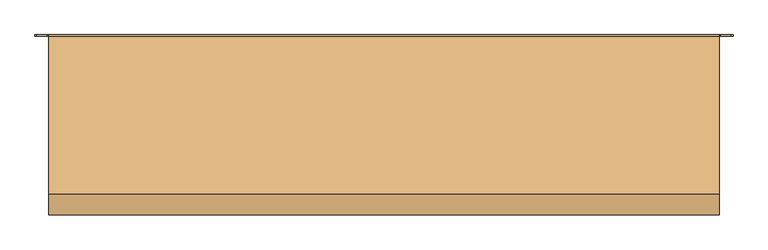
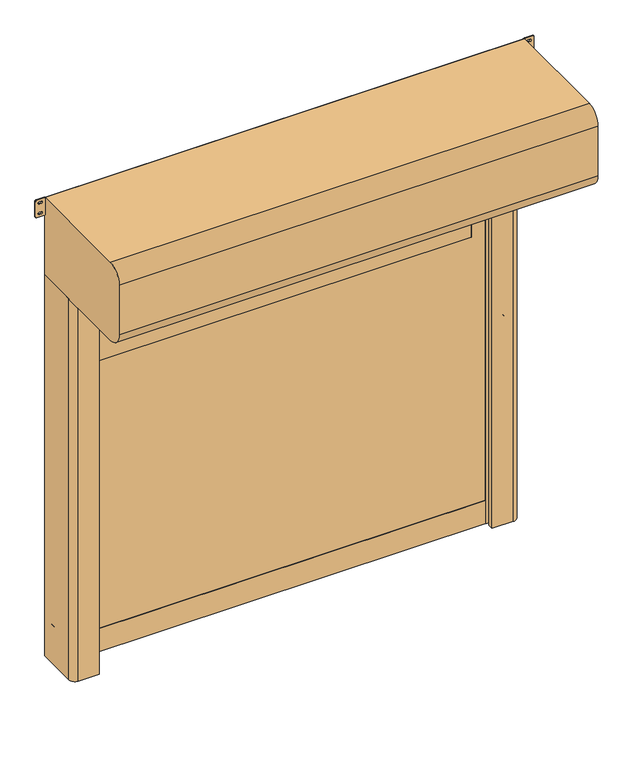
"""IFC4 building model written with IfcOpenShell, lengths in millimetres: door geometry."""

from ifc_helpers import new_model, si_unit, point, frame, frame_2d, origin, origin_with_axes, place, context, project, spatial, polyline, circle_curve, trimmed, segment, composite_curve, outline, extrude, source, transform, mapped, element, save


def door_8d8b76a4(model_context):
    return source(origin(), model_context, "Body", "SweptSolid", [
        extrude(outline(composite_curve([segment(trimmed(circle_curve(frame_2d((1000.0, 1109.0)), 6.0), [point((1006.0, 1109.0))], [point((994.0, 1109.0))], False, "CARTESIAN"), True, "CONTINUOUS"), segment(polyline([(994.0, 1109.0), (994.0, 1127.0)]), True, "CONTINUOUS"), segment(trimmed(circle_curve(frame_2d((1000.0, 1127.0)), 6.0), [point((994.0, 1127.0))], [point((1006.0, 1127.0))], False, "CARTESIAN"), True, "CONTINUOUS"), segment(polyline([(1006.0, 1127.0), (1006.0, 1109.0)]), True, "CONTINUOUS")], self_intersect=False)), frame((0.0, -20.0, 0.0), z_axis=(0.0, 1.0, 0.0), x_axis=(0.0, 0.0, 1.0)), (0.0, 0.0, 1.0), 20.0),
        extrude(outline(composite_curve([segment(trimmed(circle_curve(frame_2d((1850.0, 1109.0)), 6.0), [point((1856.0, 1109.0))], [point((1844.0, 1109.0))], False, "CARTESIAN"), True, "CONTINUOUS"), segment(polyline([(1844.0, 1109.0), (1844.0, 1127.0)]), True, "CONTINUOUS"), segment(trimmed(circle_curve(frame_2d((1850.0, 1127.0)), 6.0), [point((1844.0, 1127.0))], [point((1856.0, 1127.0))], False, "CARTESIAN"), True, "CONTINUOUS"), segment(polyline([(1856.0, 1127.0), (1856.0, 1109.0)]), True, "CONTINUOUS")], self_intersect=False)), frame((0.0, -20.0, 0.0), z_axis=(0.0, 1.0, 0.0), x_axis=(0.0, 0.0, 1.0)), (0.0, 0.0, 1.0), 20.0),
        extrude(outline(composite_curve([segment(trimmed(circle_curve(frame_2d((150.0, 1109.0)), 6.0), [point((156.0, 1109.0))], [point((144.0, 1109.0))], False, "CARTESIAN"), True, "CONTINUOUS"), segment(polyline([(144.0, 1109.0), (144.0, 1127.0)]), True, "CONTINUOUS"), segment(trimmed(circle_curve(frame_2d((150.0, 1127.0)), 6.0), [point((144.0, 1127.0))], [point((156.0, 1127.0))], False, "CARTESIAN"), True, "CONTINUOUS"), segment(polyline([(156.0, 1127.0), (156.0, 1109.0)]), True, "CONTINUOUS")], self_intersect=False)), frame((0.0, -20.0, 0.0), z_axis=(0.0, 1.0, 0.0), x_axis=(0.0, 0.0, 1.0)), (0.0, 0.0, 1.0), 20.0),
        extrude(outline(composite_curve([segment(polyline([(1006.0, -1109.0), (1006.0, -1127.0)]), True, "CONTINUOUS"), segment(trimmed(circle_curve(frame_2d((1000.0, -1127.0)), 6.0), [point((1006.0, -1127.0))], [point((994.0, -1127.0))], False, "CARTESIAN"), True, "CONTINUOUS"), segment(polyline([(994.0, -1127.0), (994.0, -1109.0)]), True, "CONTINUOUS"), segment(trimmed(circle_curve(frame_2d((1000.0, -1109.0)), 6.0), [point((994.0, -1109.0))], [point((1006.0, -1109.0))], False, "CARTESIAN"), True, "CONTINUOUS")], self_intersect=False)), frame((0.0, -20.0, 0.0), z_axis=(0.0, 1.0, 0.0), x_axis=(0.0, 0.0, 1.0)), (0.0, 0.0, 1.0), 20.0),
        extrude(outline(composite_curve([segment(polyline([(1856.0, -1109.0), (1856.0, -1127.0)]), True, "CONTINUOUS"), segment(trimmed(circle_curve(frame_2d((1850.0, -1127.0)), 6.0), [point((1856.0, -1127.0))], [point((1844.0, -1127.0))], False, "CARTESIAN"), True, "CONTINUOUS"), segment(polyline([(1844.0, -1127.0), (1844.0, -1109.0)]), True, "CONTINUOUS"), segment(trimmed(circle_curve(frame_2d((1850.0, -1109.0)), 6.0), [point((1844.0, -1109.0))], [point((1856.0, -1109.0))], False, "CARTESIAN"), True, "CONTINUOUS")], self_intersect=False)), frame((0.0, -20.0, 0.0), z_axis=(0.0, 1.0, 0.0), x_axis=(0.0, 0.0, 1.0)), (0.0, 0.0, 1.0), 20.0),
        extrude(outline(composite_curve([segment(polyline([(156.0, -1109.0), (156.0, -1127.0)]), True, "CONTINUOUS"), segment(trimmed(circle_curve(frame_2d((150.0, -1127.0)), 6.0), [point((156.0, -1127.0))], [point((144.0, -1127.0))], False, "CARTESIAN"), True, "CONTINUOUS"), segment(polyline([(144.0, -1127.0), (144.0, -1109.0)]), True, "CONTINUOUS"), segment(trimmed(circle_curve(frame_2d((150.0, -1109.0)), 6.0), [point((144.0, -1109.0))], [point((156.0, -1109.0))], False, "CARTESIAN"), True, "CONTINUOUS")], self_intersect=False)), frame((0.0, -20.0, 0.0), z_axis=(0.0, 1.0, 0.0), x_axis=(0.0, 0.0, 1.0)), (0.0, 0.0, 1.0), 20.0),
        extrude(outline(composite_curve([segment(trimmed(circle_curve(frame_2d((1526.0, 929.0)), 1.0), [point((1525.0, 929.0))], [point((1526.0, 930.0))], False, "CARTESIAN"), True, "CONTINUOUS"), segment(polyline([(1526.0, 930.0), (2024.0, 930.0)]), True, "CONTINUOUS"), segment(trimmed(circle_curve(frame_2d((2024.0, 929.0)), 1.0), [point((2024.0, 930.0))], [point((2025.0, 929.0))], False, "CARTESIAN"), True, "CONTINUOUS"), segment(polyline([(2025.0, 929.0), (2025.0, -929.0)]), True, "CONTINUOUS"), segment(trimmed(circle_curve(frame_2d((2024.0, -929.0)), 1.0), [point((2025.0, -929.0))], [point((2024.0, -930.0))], False, "CARTESIAN"), True, "CONTINUOUS"), segment(polyline([(2024.0, -930.0), (1526.0, -930.0)]), True, "CONTINUOUS"), segment(trimmed(circle_curve(frame_2d((1526.0, -929.0)), 1.0), [point((1526.0, -930.0))], [point((1525.0, -929.0))], False, "CARTESIAN"), True, "CONTINUOUS"), segment(polyline([(1525.0, -929.0), (1525.0, 929.0)]), True, "CONTINUOUS")], self_intersect=False)), frame((0.0, -86.0, 0.0), z_axis=(0.0, 1.0, 0.0), x_axis=(0.0, 0.0, 1.0)), (0.0, 0.0, 1.0), 7.0),
        extrude(outline(polyline([(120.0, -1012.0), (120.0, 1012.0), (2205.0, 1012.0), (2205.0, -1012.0), (120.0, -1012.0)]), holes=[composite_curve([segment(trimmed(circle_curve(frame_2d((1526.0, 929.0)), 1.0), [point((1526.0, 930.0))], [point((1525.0, 929.0))], True, "CARTESIAN"), True, "CONTINUOUS"), segment(polyline([(1525.0, 929.0), (1525.0, -929.0)]), True, "CONTINUOUS"), segment(trimmed(circle_curve(frame_2d((1526.0, -929.0)), 1.0), [point((1525.0, -929.0))], [point((1526.0, -930.0))], True, "CARTESIAN"), True, "CONTINUOUS"), segment(polyline([(1526.0, -930.0), (2024.0, -930.0)]), True, "CONTINUOUS"), segment(trimmed(circle_curve(frame_2d((2024.0, -929.0)), 1.0), [point((2024.0, -930.0))], [point((2025.0, -929.0))], True, "CARTESIAN"), True, "CONTINUOUS"), segment(polyline([(2025.0, -929.0), (2025.0, 929.0)]), True, "CONTINUOUS"), segment(trimmed(circle_curve(frame_2d((2024.0, 929.0)), 1.0), [point((2025.0, 929.0))], [point((2024.0, 930.0))], True, "CARTESIAN"), True, "CONTINUOUS"), segment(polyline([(2024.0, 930.0), (1526.0, 930.0)]), True, "CONTINUOUS")], self_intersect=False)]), frame((0.0, -86.0, 0.0), z_axis=(0.0, 1.0, 0.0), x_axis=(0.0, 0.0, 1.0)), (0.0, 0.0, 1.0), 7.0),
        extrude(outline(polyline([(-1012.0, -77.0), (1012.0, -77.0), (1012.0, -88.0), (-1012.0, -88.0), (-1012.0, -77.0)])), origin_with_axes(), (0.0, 0.0, 1.0), 120.0),
        extrude(outline(composite_curve([segment(trimmed(circle_curve(frame_2d((2323.75, 1245.75)), 5.75), [point((2323.75, 1240.0))], [point((2318.0, 1245.75))], False, "CARTESIAN"), True, "CONTINUOUS"), segment(polyline([(2318.0, 1245.75), (2318.0, 1283.25)]), True, "CONTINUOUS"), segment(trimmed(circle_curve(frame_2d((2323.75, 1283.25)), 5.75), [point((2318.0, 1283.25))], [point((2323.75, 1289.0))], False, "CARTESIAN"), True, "CONTINUOUS"), segment(polyline([(2323.75, 1289.0), (2404.25, 1289.0)]), True, "CONTINUOUS"), segment(trimmed(circle_curve(frame_2d((2404.25, 1283.25)), 5.75), [point((2404.25, 1289.0))], [point((2410.0, 1283.25))], False, "CARTESIAN"), True, "CONTINUOUS"), segment(polyline([(2410.0, 1283.25), (2410.0, 1245.75)]), True, "CONTINUOUS"), segment(trimmed(circle_curve(frame_2d((2404.25, 1245.75)), 5.75), [point((2410.0, 1245.75))], [point((2404.25, 1240.0))], False, "CARTESIAN"), True, "CONTINUOUS"), segment(polyline([(2404.25, 1240.0), (2323.75, 1240.0)]), True, "CONTINUOUS")], self_intersect=False), holes=[composite_curve([segment(trimmed(circle_curve(frame_2d((2391.5, 1268.75)), 5.75), [point((2397.25, 1268.75))], [point((2385.75, 1268.75))], True, "CARTESIAN"), True, "CONTINUOUS"), segment(polyline([(2385.75, 1268.75), (2385.75, 1260.25)]), True, "CONTINUOUS"), segment(trimmed(circle_curve(frame_2d((2391.5, 1260.25)), 5.75), [point((2385.75, 1260.25))], [point((2397.25, 1260.25))], True, "CARTESIAN"), True, "CONTINUOUS"), segment(polyline([(2397.25, 1260.25), (2397.25, 1268.75)]), True, "CONTINUOUS")], self_intersect=False), composite_curve([segment(trimmed(circle_curve(frame_2d((2336.5, 1268.75)), 5.75), [point((2342.25, 1268.75))], [point((2330.75, 1268.75))], True, "CARTESIAN"), True, "CONTINUOUS"), segment(polyline([(2330.75, 1268.75), (2330.75, 1260.25)]), True, "CONTINUOUS"), segment(trimmed(circle_curve(frame_2d((2336.5, 1260.25)), 5.75), [point((2330.75, 1260.25))], [point((2342.25, 1260.25))], True, "CARTESIAN"), True, "CONTINUOUS"), segment(polyline([(2342.25, 1260.25), (2342.25, 1268.75)]), True, "CONTINUOUS")], self_intersect=False)]), frame((0.0, -5.0, 0.0), z_axis=(0.0, 1.0, 0.0), x_axis=(0.0, 0.0, 1.0)), (0.0, 0.0, 1.0), 5.0),
        extrude(outline(composite_curve([segment(trimmed(circle_curve(frame_2d((2323.75, -1183.25)), 5.75), [point((2323.75, -1189.0))], [point((2318.0, -1183.25))], False, "CARTESIAN"), True, "CONTINUOUS"), segment(polyline([(2318.0, -1183.25), (2318.0, -1145.75)]), True, "CONTINUOUS"), segment(trimmed(circle_curve(frame_2d((2323.75, -1145.75)), 5.75), [point((2318.0, -1145.75))], [point((2323.75, -1140.0))], False, "CARTESIAN"), True, "CONTINUOUS"), segment(polyline([(2323.75, -1140.0), (2404.25, -1140.0)]), True, "CONTINUOUS"), segment(trimmed(circle_curve(frame_2d((2404.25, -1145.75)), 5.75), [point((2404.25, -1140.0))], [point((2410.0, -1145.75))], False, "CARTESIAN"), True, "CONTINUOUS"), segment(polyline([(2410.0, -1145.75), (2410.0, -1183.25)]), True, "CONTINUOUS"), segment(trimmed(circle_curve(frame_2d((2404.25, -1183.25)), 5.75), [point((2410.0, -1183.25))], [point((2404.25, -1189.0))], False, "CARTESIAN"), True, "CONTINUOUS"), segment(polyline([(2404.25, -1189.0), (2323.75, -1189.0)]), True, "CONTINUOUS")], self_intersect=False), holes=[composite_curve([segment(trimmed(circle_curve(frame_2d((2391.5, -1160.25)), 5.75), [point((2397.25, -1160.25))], [point((2385.75, -1160.25))], True, "CARTESIAN"), True, "CONTINUOUS"), segment(polyline([(2385.75, -1160.25), (2385.75, -1168.75)]), True, "CONTINUOUS"), segment(trimmed(circle_curve(frame_2d((2391.5, -1168.75)), 5.75), [point((2385.75, -1168.75))], [point((2397.25, -1168.75))], True, "CARTESIAN"), True, "CONTINUOUS"), segment(polyline([(2397.25, -1168.75), (2397.25, -1160.25)]), True, "CONTINUOUS")], self_intersect=False), composite_curve([segment(trimmed(circle_curve(frame_2d((2336.5, -1160.25)), 5.75), [point((2342.25, -1160.25))], [point((2330.75, -1160.25))], True, "CARTESIAN"), True, "CONTINUOUS"), segment(polyline([(2330.75, -1160.25), (2330.75, -1168.75)]), True, "CONTINUOUS"), segment(trimmed(circle_curve(frame_2d((2336.5, -1168.75)), 5.75), [point((2330.75, -1168.75))], [point((2342.25, -1168.75))], True, "CARTESIAN"), True, "CONTINUOUS"), segment(polyline([(2342.25, -1168.75), (2342.25, -1160.25)]), True, "CONTINUOUS")], self_intersect=False)]), frame((0.0, -5.0, 0.0), z_axis=(0.0, 1.0, 0.0), x_axis=(0.0, 0.0, 1.0)), (0.0, 0.0, 1.0), 5.0),
        extrude(outline(composite_curve([segment(polyline([(-1140.0, 0.0), (-1015.0, 0.0), (-1015.0, -66.7857143), (-1035.0, -72.5), (-1000.0, -72.5), (-1000.0, -79.0), (-1020.0, -79.0), (-1020.0, -86.0), (-1000.0, -86.0), (-1000.0, -92.5), (-1035.0, -92.5), (-1035.0, -107.5), (-1005.0, -107.5), (-1005.0, -235.0), (-1110.0, -235.0)]), True, "CONTINUOUS"), segment(trimmed(circle_curve(frame_2d((-1110.0, -205.0)), 30.0), [point((-1110.0, -235.0))], [point((-1140.0, -205.0))], False, "CARTESIAN"), True, "CONTINUOUS"), segment(polyline([(-1140.0, -205.0), (-1140.0, 0.0)]), True, "CONTINUOUS")], self_intersect=False)), origin_with_axes(), (0.0, 0.0, 1.0), 2000.0),
        extrude(outline(composite_curve([segment(polyline([(1140.0, 0.0), (1140.0, -105.0)]), True, "CONTINUOUS"), segment(trimmed(circle_curve(frame_2d((1110.0, -105.0)), 30.0), [point((1140.0, -105.0))], [point((1110.0, -135.0))], False, "CARTESIAN"), True, "CONTINUOUS"), segment(polyline([(1110.0, -135.0), (1005.0, -135.0), (1005.0, -107.5), (1035.0, -107.5), (1035.0, -92.5), (1000.0, -92.5), (1000.0, -86.0), (1020.0, -86.0), (1020.0, -79.0), (1000.0, -79.0), (1000.0, -72.5), (1035.0, -72.5), (1015.0, -66.7857143), (1015.0, 0.0), (1140.0, 0.0)]), True, "CONTINUOUS")], self_intersect=False)), origin_with_axes(), (0.0, 0.0, 1.0), 2000.0),
        extrude(outline(composite_curve([segment(trimmed(circle_curve(frame_2d((-5.0, 2005.0)), 5.0), [point((0.0, 2005.0))], [point((-5.0, 2000.0))], False, "CARTESIAN"), True, "CONTINUOUS"), segment(polyline([(-5.0, 2000.0), (-565.0, 2000.0)]), True, "CONTINUOUS"), segment(trimmed(circle_curve(frame_2d((-565.0, 2075.0)), 75.0), [point((-565.0, 2000.0))], [point((-640.0, 2075.0))], False, "CARTESIAN"), True, "CONTINUOUS"), segment(polyline([(-640.0, 2075.0), (-640.0, 2335.0)]), True, "CONTINUOUS"), segment(trimmed(circle_curve(frame_2d((-565.0, 2335.0)), 75.0), [point((-640.0, 2335.0))], [point((-565.0, 2410.0))], False, "CARTESIAN"), True, "CONTINUOUS"), segment(polyline([(-565.0, 2410.0), (-5.0, 2410.0)]), True, "CONTINUOUS"), segment(trimmed(circle_curve(frame_2d((-5.0, 2405.0)), 5.0), [point((-5.0, 2410.0))], [point((0.0, 2405.0))], False, "CARTESIAN"), True, "CONTINUOUS"), segment(polyline([(0.0, 2405.0), (0.0, 2005.0)]), True, "CONTINUOUS")], self_intersect=False)), frame((-1140.0, 0.0, 0.0), z_axis=(1.0, 0.0, 0.0), x_axis=(0.0, 1.0, 0.0)), (0.0, 0.0, 1.0), 2380.0),
    ])


if __name__ == "__main__":
    model = new_model("IFC4")
    model_context = context("Model", 3, world=origin())
    ifc_project = project(units=[si_unit("LENGTHUNIT", "METRE", prefix="MILLI")], contexts=[model_context])
    site = spatial("IfcSite", under=ifc_project)
    building = spatial("IfcBuilding", under=site)
    placement = place(None, origin())
    door_shape = door_8d8b76a4(model_context)
    element("IfcDoor", 1, at=placement, inside=building, context=model_context, shape_type="MappedRepresentation", body=[
        mapped(door_shape, transform((0.0, 0.0, 0.0), x_axis=(1.0, 0.0, 0.0), y_axis=(0.0, 1.0, 0.0), z_axis=(0.0, 0.0, 1.0))),
    ])
    save(model, "model.ifc")
